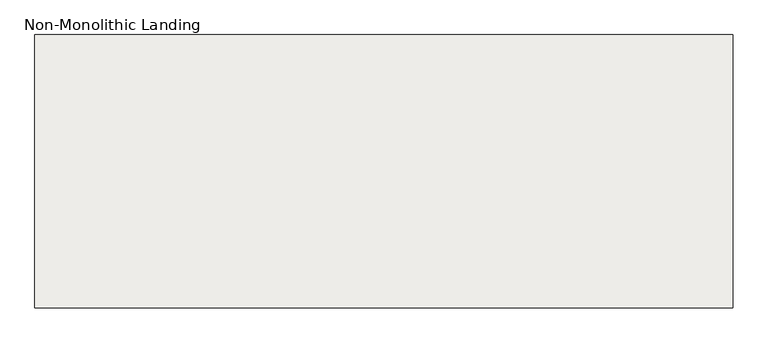
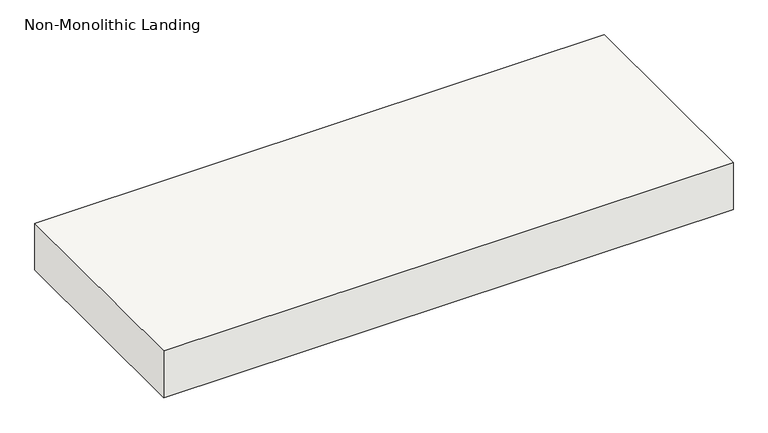
"""IFC4 building model written with IfcOpenShell, lengths in millimetres: slab geometry, Non-Monolithic Landing."""

from ifc_helpers import new_model, si_unit, frame, origin, place, context, project, spatial, polyline, outline, extrude, source, transform, mapped, element, save


def non_monolithic_landing_5107d6f0(model_context):
    return source(origin(), model_context, "Body", "SweptSolid", [
        extrude(outline(polyline([(6455.1809005, -771.8408405), (6455.1809005, -1671.8408405), (4155.1809005, -1671.8408405), (4155.1809005, -771.8408405), (5455.1809005, -771.8408405), (6455.1809005, -771.8408405)])), frame((0.0, 0.0, -200.0), z_axis=(0.0, 0.0, 1.0), x_axis=(1.0, 0.0, 0.0)), (0.0, 0.0, 1.0), 200.0),
    ])


if __name__ == "__main__":
    model = new_model("IFC4")
    model_context = context("Model", 3, world=origin())
    ifc_project = project(units=[si_unit("LENGTHUNIT", "METRE", prefix="MILLI")], contexts=[model_context])
    site = spatial("IfcSite", under=ifc_project)
    building = spatial("IfcBuilding", under=site)
    placement = place(None, origin())
    non_monolithic_landing_shape = non_monolithic_landing_5107d6f0(model_context)
    element("IfcSlab", 1, ObjectType="Non-Monolithic Landing", at=placement, inside=building, context=model_context, shape_type="MappedRepresentation", body=[
        mapped(non_monolithic_landing_shape, transform((0.0, 0.0, 0.0), x_axis=(1.0, 0.0, 0.0), y_axis=(0.0, 1.0, 0.0), z_axis=(0.0, 0.0, 1.0))),
    ])
    save(model, "model.ifc")
